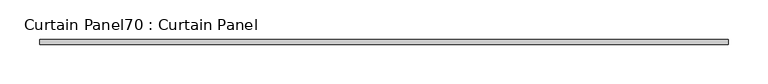
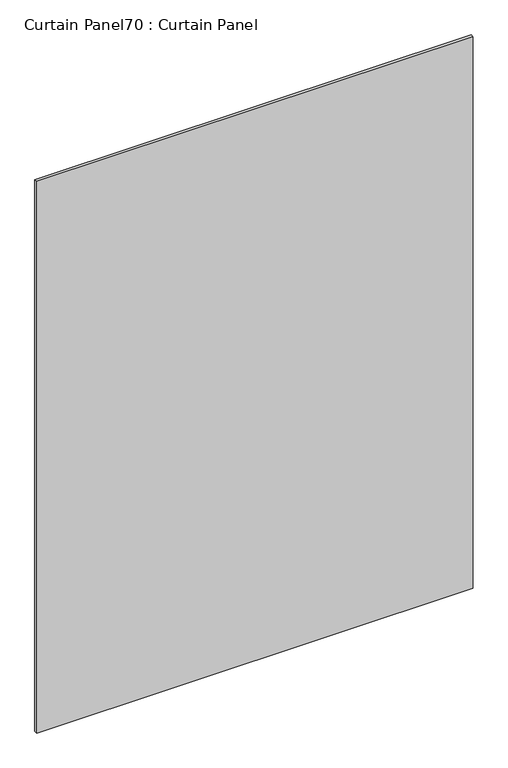
"""IFC4 building model written with IfcOpenShell, lengths in millimetres: plate geometry, Curtain Panel70 : Curtain Panel."""

import ifcopenshell
import ifcopenshell.guid

model = None  # the IFC model being written
_history = None  # IfcOwnerHistory: only IFC2X3 demands one
_inside = {}  # id of a spatial element -> (the spatial element, [elements in it])
_under = {}  # id of a project, library or spatial element -> (it, [spatial elements below it])
_declared = {}  # id of a project -> (the project, [libraries it declares])
_typed = {}  # id of a type object -> (the type object, [elements of that type])
_made_of = {}  # id of a material, layer set ... -> (it, [elements and type objects made of it])


def new_model(schema):
    """Start an empty IFC model of exactly this schema.

    Asked for "IFC4X3", IfcOpenShell would pick the latest addendum, in which some entities
    have other attributes; the version numbers below select the first issue.
    IFC2X3 requires an IfcOwnerHistory on every rooted entity: one is made here for all.
    """
    global model, _history
    if schema == "IFC4X3":
        model = ifcopenshell.file(schema_version=(4, 3, 0, 0))
    else:
        model = ifcopenshell.file(schema=schema)
    _inside.clear()
    _under.clear()
    _declared.clear()
    _typed.clear()
    _made_of.clear()
    _history = None
    if model.schema == "IFC2X3":
        org = make("IfcOrganization", Name="unknown")
        user = make(
            "IfcPersonAndOrganization",
            ThePerson=make("IfcPerson", FamilyName="unknown"),
            TheOrganization=org,
        )
        app = make(
            "IfcApplication",
            ApplicationDeveloper=org,
            Version="unknown",
            ApplicationFullName="unknown",
            ApplicationIdentifier="unknown",
        )
        _history = make(
            "IfcOwnerHistory",
            OwningUser=user,
            OwningApplication=app,
            ChangeAction="ADDED",
            CreationDate=0,
        )
    return model


def make(cls, **values):
    """One entity of the class cls with the attributes given. An attribute that is None is left unset."""
    return model.create_entity(
        cls, **{name: value for name, value in values.items() if value is not None}
    )


def rooted(cls, **values):
    """An entity with a GlobalId (a new one), such as an element, a storey or a relation."""
    return make(cls, GlobalId=ifcopenshell.guid.new(), OwnerHistory=_history, **values)


def si_unit(unit_type, name, prefix=None):
    """IfcSIUnit, for example si_unit("LENGTHUNIT", "METRE", prefix="MILLI")."""
    return make("IfcSIUnit", UnitType=unit_type, Prefix=prefix, Name=name)


def assignment(units):
    """IfcUnitAssignment: the units of a project."""
    return None if units is None else make("IfcUnitAssignment", Units=units)


def point(xyz):
    """IfcCartesianPoint."""
    return None if xyz is None else make("IfcCartesianPoint", Coordinates=xyz)


def direction(xyz):
    """IfcDirection."""
    return None if xyz is None else make("IfcDirection", DirectionRatios=xyz)


def frame(location, z_axis=None, x_axis=None):
    """IfcAxis2Placement3D, a coordinate frame: its origin and axes. An axis left out is left unset."""
    return make(
        "IfcAxis2Placement3D",
        Location=point(location),
        Axis=direction(z_axis),
        RefDirection=direction(x_axis),
    )


def origin():
    """The frame at (0, 0, 0) with its axes left unset."""
    return frame((0.0, 0.0, 0.0))


def place(relative_to, where):
    """IfcLocalPlacement: puts the frame where relative to a parent placement (None: the world)."""
    return make(
        "IfcLocalPlacement", PlacementRelTo=relative_to, RelativePlacement=where
    )


def context(
    kind, dimensions, precision=None, world=None, true_north=None, identifier=None
):
    """IfcGeometricRepresentationContext, for example the 3D "Model" context."""
    return make(
        "IfcGeometricRepresentationContext",
        ContextIdentifier=identifier,
        ContextType=kind,
        CoordinateSpaceDimension=dimensions,
        Precision=precision,
        WorldCoordinateSystem=world,
        TrueNorth=true_north,
    )


def project(units=None, contexts=None):
    """IfcProject with its units and contexts."""
    return rooted(
        "IfcProject",
        Name="project",
        RepresentationContexts=contexts,
        UnitsInContext=assignment(units),
    )


def spatial(cls, under=None, at=None, **own):
    """A site, building, storey or space (cls), placed at a placement, below another one or the project."""
    s = rooted(cls, ObjectPlacement=at, **own)
    if under is not None:
        _under.setdefault(under.id(), (under, []))[1].append(s)
    return s


def polyline(points):
    """IfcPolyline through the points."""
    return make("IfcPolyline", Points=[point(p) for p in points])


def outline(outer, holes=None, kind="AREA"):
    """IfcArbitraryClosedProfileDef: a profile drawn as a closed curve; with holes, ...WithVoids."""
    if holes is None:
        return make("IfcArbitraryClosedProfileDef", ProfileType=kind, OuterCurve=outer)
    return make(
        "IfcArbitraryProfileDefWithVoids",
        ProfileType=kind,
        OuterCurve=outer,
        InnerCurves=holes,
    )


def extrude(swept, where, along, depth):
    """IfcExtrudedAreaSolid: the profile swept, set in the frame where, extruded along a direction by depth."""
    return make(
        "IfcExtrudedAreaSolid",
        SweptArea=swept,
        Position=where,
        ExtrudedDirection=direction(along),
        Depth=depth,
    )


def shape(context_of_items, identifier, shape_type, items):
    """IfcShapeRepresentation: the items that make up one representation, for example the "Body"."""
    return make(
        "IfcShapeRepresentation",
        ContextOfItems=context_of_items,
        RepresentationIdentifier=identifier,
        RepresentationType=shape_type,
        Items=items,
    )


def source(mapping_origin, context_of_items, identifier, shape_type, items):
    """IfcRepresentationMap: a shape defined once, which mapped items show again and again."""
    return make(
        "IfcRepresentationMap",
        MappingOrigin=mapping_origin,
        MappedRepresentation=shape(context_of_items, identifier, shape_type, items),
    )


def transform(
    local_origin,
    x_axis=None,
    y_axis=None,
    z_axis=None,
    scale=None,
    scale2=None,
    scale3=None,
    uniform=True,
):
    """IfcCartesianTransformationOperator3D, or its non-uniform kind. x_axis, y_axis, z_axis: its Axis1, 2, 3."""
    if uniform:
        return make(
            "IfcCartesianTransformationOperator3D",
            Axis1=direction(x_axis),
            Axis2=direction(y_axis),
            LocalOrigin=point(local_origin),
            Scale=scale,
            Axis3=direction(z_axis),
        )
    return make(
        "IfcCartesianTransformationOperator3DnonUniform",
        Axis1=direction(x_axis),
        Axis2=direction(y_axis),
        LocalOrigin=point(local_origin),
        Scale=scale,
        Axis3=direction(z_axis),
        Scale2=scale2,
        Scale3=scale3,
    )


def mapped(mapping_source, mapping_target):
    """IfcMappedItem: shows the shape of a source again, moved by a transform."""
    return make(
        "IfcMappedItem", MappingSource=mapping_source, MappingTarget=mapping_target
    )


def made_of(thing, what):
    """Note that an element or type object is made of a material, layer set ...; save() writes the relation."""
    if what is not None:
        _made_of.setdefault(what.id(), (what, []))[1].append(thing)
    return thing


def element(
    cls,
    number,
    at=None,
    inside=None,
    cuts=None,
    type_object=None,
    material=None,
    context=None,
    identifier="Body",
    shape_type=None,
    held_by="IfcProductDefinitionShape",
    body=None,
    shapes=None,
    **own,
):
    """One element of the class cls, such as IfcWall. Its Tag is "e" and its number.

    at: its placement. inside: the storey or other place that contains it. cuts: it is an
    opening in that element (IfcRelVoidsElement). A single representation is given by context,
    identifier, shape_type and body (its items); several are given by shapes. held_by: the class
    of the entity that holds the representations. save() writes the other relations.
    """
    e = rooted(cls, Tag="e%d" % number, ObjectPlacement=at, **own)
    if body is not None:
        shapes = [shape(context, identifier, shape_type, body)]
    if shapes is not None:
        e.Representation = make(held_by, Representations=shapes)
    if inside is not None:
        _inside.setdefault(inside.id(), (inside, []))[1].append(e)
    if cuts is not None:
        rooted(
            "IfcRelVoidsElement", RelatingBuildingElement=cuts, RelatedOpeningElement=e
        )
    if type_object is not None:
        _typed.setdefault(type_object.id(), (type_object, []))[1].append(e)
    return made_of(e, material)


def aggregate(whole, parts):
    """IfcRelAggregates: a whole, such as a stair, and the parts it consists of."""
    return rooted("IfcRelAggregates", RelatingObject=whole, RelatedObjects=parts)


def save(model, path):
    """Write the relations noted so far, then the file.

    IfcRelAggregates (storeys below a building ...), IfcRelContainedInSpatialStructure (elements
    in a storey), IfcRelDefinesByType, IfcRelAssociatesMaterial and IfcRelDeclares: one each for
    every whole, place, type object, material and project.
    """
    for whole, parts in _under.values():
        aggregate(whole, parts)
    for where, things in _inside.values():
        rooted(
            "IfcRelContainedInSpatialStructure",
            RelatedElements=things,
            RelatingStructure=where,
        )
    for kind, things in _typed.values():
        rooted("IfcRelDefinesByType", RelatedObjects=things, RelatingType=kind)
    for what, things in _made_of.values():
        rooted("IfcRelAssociatesMaterial", RelatedObjects=things, RelatingMaterial=what)
    for by, libraries in _declared.values():
        rooted("IfcRelDeclares", RelatingContext=by, RelatedDefinitions=libraries)
    model.write(path)


def curtain_panel70_curtain_panel_5dc611ec(model_context):
    return source(origin(), model_context, "Body", "SweptSolid", [
        extrude(outline(polyline([(-32652.5739667, 5641.2311339), (-33522.5344959, 5641.2311339), (-33522.5344959, 5647.5811339), (-32652.5739667, 5647.5811339), (-32652.5739667, 5641.2311339)])), frame((0.0, 0.0, 2454.1456375), z_axis=(0.0, 0.0, 1.0), x_axis=(1.0, 0.0, 0.0)), (0.0, 0.0, 1.0), 1162.1793625),
    ])


if __name__ == "__main__":
    model = new_model("IFC4")
    model_context = context("Model", 3, world=origin())
    ifc_project = project(units=[si_unit("LENGTHUNIT", "METRE", prefix="MILLI")], contexts=[model_context])
    site = spatial("IfcSite", under=ifc_project)
    building = spatial("IfcBuilding", under=site)
    placement = place(None, origin())
    curtain_panel70_curtain_panel_shape = curtain_panel70_curtain_panel_5dc611ec(model_context)
    element("IfcPlate", 1, ObjectType="Curtain Panel70 : Curtain Panel", at=placement, inside=building, context=model_context, shape_type="MappedRepresentation", body=[
        mapped(curtain_panel70_curtain_panel_shape, transform((0.0, 0.0, 0.0), x_axis=(1.0, 0.0, 0.0), y_axis=(0.0, 1.0, 0.0), z_axis=(0.0, 0.0, 1.0))),
    ])
    save(model, "model.ifc")
